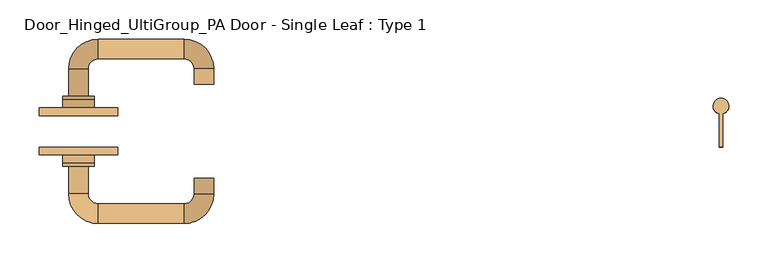
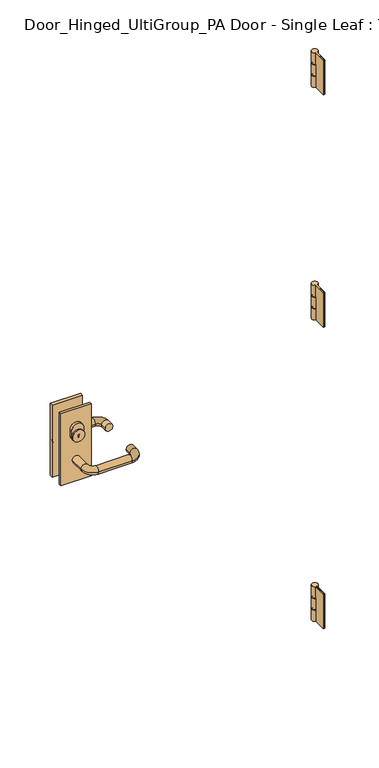
"""IFC4 building model written with IfcOpenShell, lengths in millimetres: door geometry, Door_Hinged_UltiGroup_PA Door - Single Leaf : Type 1."""

from ifc_helpers import new_model, si_unit, point, frame, frame_2d, origin, place, context, project, spatial, polyline, circle_curve, ellipse_curve, trimmed, segment, composite_curve, outline, extrude, source, transform, mapped, element, save
from ifc_brep_helpers import plane_surface, cylinder_surface, revolved_surface, advanced_brep


def door_hinged_ultigroup_pa_door_single_leaf_type_1_55440f28(model_context):
    return source(origin(), model_context, "Body", "SolidModel", [
        advanced_brep(
        [(452.5, 73.0, 1145.0), (450.0, 53.3175416, 1145.0), (452.0, 53.0125078, 1145.0), (452.5, 53.0, 1145.0), (453.0, 53.0125078, 1145.0), (455.0, 53.3175416, 1145.0), (452.5, 55.0, 1145.0), (452.5, 71.0, 1145.0), (453.0, 53.0125078, 1107.0), (452.5, 53.0, 1107.0), (452.0, 53.0125078, 1107.0), (450.0, 53.3175416, 1107.0), (452.5, 73.0, 1107.0), (455.0, 53.3175416, 1107.0), (452.5, 71.0, 1107.0), (452.5, 55.0, 1107.0), (452.5, 71.0, 1147.0), (452.5, 55.0, 1147.0), (452.5, 71.0, 1105.0), (452.5, 55.0, 1105.0), (452.5, 73.0, 1105.0), (450.0, 53.3175416, 1105.0), (452.0, 53.0125078, 1105.0), (452.5, 53.0, 1105.0), (453.0, 53.0125078, 1105.0), (455.0, 53.3175416, 1105.0), (452.0, 53.0125078, 1066.0), (452.0, 11.0, 1066.0), (450.0, 11.0, 1066.0), (450.0, 53.3175416, 1066.0), (452.5, 73.0, 1066.0), (455.0, 53.3175416, 1066.0), (455.0, 11.0, 1066.0), (453.0, 11.0, 1066.0), (453.0, 53.0125078, 1066.0), (452.5, 53.0, 1066.0), (450.0, 53.3175416, 1186.0), (450.0, 11.0, 1186.0), (452.0, 11.0, 1186.0), (452.0, 53.0125078, 1186.0), (452.5, 53.0, 1186.0), (453.0, 53.0125078, 1186.0), (453.0, 11.0, 1186.0), (455.0, 11.0, 1186.0), (455.0, 53.3175416, 1186.0), (452.5, 73.0, 1186.0), (450.0, 53.3175416, 1147.0), (452.0, 53.0125078, 1147.0), (453.0, 53.0125078, 1147.0), (455.0, 53.3175416, 1147.0), (452.5, 73.0, 1147.0), (452.5, 53.0, 1147.0)],
        [
            (0, 1, circle_curve(frame((452.5, 63.0, 1145.0), z_axis=(0.0, 0.0, 1.0), x_axis=(0.0, -1.0, 0.0)), 10.0)),
            (1, 2, circle_curve(frame((452.5, 63.0, 1145.0), z_axis=(0.0, 0.0, 1.0), x_axis=(0.0, -1.0, 0.0)), 10.0)),
            (2, 3, circle_curve(frame((452.5, 63.0, 1145.0), z_axis=(0.0, 0.0, 1.0), x_axis=(0.0, -1.0, 0.0)), 10.0)),
            (3, 4, circle_curve(frame((452.5, 63.0, 1145.0), z_axis=(0.0, 0.0, 1.0), x_axis=(0.0, -1.0, 0.0)), 10.0)),
            (4, 5, circle_curve(frame((452.5, 63.0, 1145.0), z_axis=(0.0, 0.0, 1.0), x_axis=(0.0, -1.0, 0.0)), 10.0)),
            (5, 0, circle_curve(frame((452.5, 63.0, 1145.0), z_axis=(0.0, 0.0, 1.0), x_axis=(0.0, -1.0, 0.0)), 10.0)),
            (6, 7, circle_curve(frame((452.5, 63.0, 1145.0), z_axis=(0.0, 0.0, -1.0), x_axis=(0.0, -1.0, 0.0)), 8.0)),
            (7, 6, circle_curve(frame((452.5, 63.0, 1145.0), z_axis=(0.0, 0.0, -1.0), x_axis=(0.0, -1.0, 0.0)), 8.0)),
            (8, 9, circle_curve(frame((452.5, 63.0, 1107.0), z_axis=(0.0, 0.0, -1.0), x_axis=(0.0, -1.0, 0.0)), 10.0)),
            (9, 10, circle_curve(frame((452.5, 63.0, 1107.0), z_axis=(0.0, 0.0, -1.0), x_axis=(0.0, -1.0, 0.0)), 10.0)),
            (10, 11, circle_curve(frame((452.5, 63.0, 1107.0), z_axis=(0.0, 0.0, -1.0), x_axis=(0.0, -1.0, 0.0)), 10.0)),
            (11, 12, circle_curve(frame((452.5, 63.0, 1107.0), z_axis=(0.0, 0.0, -1.0), x_axis=(0.0, -1.0, 0.0)), 10.0)),
            (12, 13, circle_curve(frame((452.5, 63.0, 1107.0), z_axis=(0.0, 0.0, -1.0), x_axis=(0.0, -1.0, 0.0)), 10.0)),
            (13, 8, circle_curve(frame((452.5, 63.0, 1107.0), z_axis=(0.0, 0.0, -1.0), x_axis=(0.0, -1.0, 0.0)), 10.0)),
            (14, 15, circle_curve(frame((452.5, 63.0, 1107.0), z_axis=(0.0, 0.0, 1.0), x_axis=(0.0, -1.0, 0.0)), 8.0)),
            (15, 14, circle_curve(frame((452.5, 63.0, 1107.0), z_axis=(0.0, 0.0, 1.0), x_axis=(0.0, -1.0, 0.0)), 8.0)),
            (0, 12),
            (11, 1),
            (9, 3),
            (2, 10),
            (5, 13),
            (8, 4),
            (16, 7),
            (6, 17),
            (17, 16, circle_curve(frame((452.5, 63.0, 1147.0), z_axis=(0.0, 0.0, -1.0), x_axis=(0.0, -1.0, 0.0)), 8.0)),
            (16, 17, circle_curve(frame((452.5, 63.0, 1147.0), z_axis=(0.0, 0.0, -1.0), x_axis=(0.0, -1.0, 0.0)), 8.0)),
            (14, 18),
            (18, 19, circle_curve(frame((452.5, 63.0, 1105.0), z_axis=(0.0, 0.0, 1.0), x_axis=(0.0, -1.0, 0.0)), 8.0)),
            (19, 15),
            (19, 18, circle_curve(frame((452.5, 63.0, 1105.0), z_axis=(0.0, 0.0, 1.0), x_axis=(0.0, -1.0, 0.0)), 8.0)),
            (20, 21, circle_curve(frame((452.5, 63.0, 1105.0), z_axis=(0.0, 0.0, 1.0), x_axis=(0.0, -1.0, 0.0)), 10.0)),
            (21, 22, circle_curve(frame((452.5, 63.0, 1105.0), z_axis=(0.0, 0.0, 1.0), x_axis=(0.0, -1.0, 0.0)), 10.0)),
            (22, 23, circle_curve(frame((452.5, 63.0, 1105.0), z_axis=(0.0, 0.0, 1.0), x_axis=(0.0, -1.0, 0.0)), 10.0)),
            (23, 24, circle_curve(frame((452.5, 63.0, 1105.0), z_axis=(0.0, 0.0, 1.0), x_axis=(0.0, -1.0, 0.0)), 10.0)),
            (24, 25, circle_curve(frame((452.5, 63.0, 1105.0), z_axis=(0.0, 0.0, 1.0), x_axis=(0.0, -1.0, 0.0)), 10.0)),
            (25, 20, circle_curve(frame((452.5, 63.0, 1105.0), z_axis=(0.0, 0.0, 1.0), x_axis=(0.0, -1.0, 0.0)), 10.0)),
            (26, 27),
            (27, 28),
            (28, 29),
            (29, 30, circle_curve(frame((452.5, 63.0, 1066.0), z_axis=(0.0, 0.0, -1.0), x_axis=(0.0, -1.0, 0.0)), 10.0)),
            (30, 31, circle_curve(frame((452.5, 63.0, 1066.0), z_axis=(0.0, 0.0, -1.0), x_axis=(0.0, -1.0, 0.0)), 10.0)),
            (31, 32),
            (32, 33),
            (33, 34),
            (34, 35, circle_curve(frame((452.5, 63.0, 1066.0), z_axis=(0.0, 0.0, -1.0), x_axis=(0.0, -1.0, 0.0)), 10.0)),
            (35, 26, circle_curve(frame((452.5, 63.0, 1066.0), z_axis=(0.0, 0.0, -1.0), x_axis=(0.0, -1.0, 0.0)), 10.0)),
            (20, 30),
            (29, 21),
            (35, 23),
            (22, 26),
            (25, 31),
            (34, 24),
            (36, 37),
            (37, 38),
            (38, 39),
            (39, 40, circle_curve(frame((452.5, 63.0, 1186.0), z_axis=(0.0, 0.0, 1.0), x_axis=(0.0, -1.0, 0.0)), 10.0)),
            (40, 41, circle_curve(frame((452.5, 63.0, 1186.0), z_axis=(0.0, 0.0, 1.0), x_axis=(0.0, -1.0, 0.0)), 10.0)),
            (41, 42),
            (42, 43),
            (43, 44),
            (44, 45, circle_curve(frame((452.5, 63.0, 1186.0), z_axis=(0.0, 0.0, 1.0), x_axis=(0.0, -1.0, 0.0)), 10.0)),
            (45, 36, circle_curve(frame((452.5, 63.0, 1186.0), z_axis=(0.0, 0.0, 1.0), x_axis=(0.0, -1.0, 0.0)), 10.0)),
            (36, 46),
            (46, 1),
            (11, 21),
            (28, 37),
            (38, 27),
            (22, 10),
            (2, 47),
            (47, 39),
            (46, 47, circle_curve(frame((452.5, 63.0, 1147.0), z_axis=(0.0, 0.0, 1.0), x_axis=(0.0, -1.0, 0.0)), 10.0)),
            (41, 48),
            (48, 4),
            (8, 24),
            (33, 42),
            (32, 43),
            (25, 13),
            (5, 49),
            (49, 44),
            (48, 49, circle_curve(frame((452.5, 63.0, 1147.0), z_axis=(0.0, 0.0, 1.0), x_axis=(0.0, -1.0, 0.0)), 10.0)),
            (46, 50, circle_curve(frame((452.5, 63.0, 1147.0), z_axis=(0.0, 0.0, -1.0), x_axis=(0.0, -1.0, 0.0)), 10.0)),
            (50, 49, circle_curve(frame((452.5, 63.0, 1147.0), z_axis=(0.0, 0.0, -1.0), x_axis=(0.0, -1.0, 0.0)), 10.0)),
            (48, 51, circle_curve(frame((452.5, 63.0, 1147.0), z_axis=(0.0, 0.0, -1.0), x_axis=(0.0, -1.0, 0.0)), 10.0)),
            (51, 47, circle_curve(frame((452.5, 63.0, 1147.0), z_axis=(0.0, 0.0, -1.0), x_axis=(0.0, -1.0, 0.0)), 10.0)),
            (45, 50),
            (51, 40),
        ],
        [
            plane_surface(frame((452.5, 53.0, 1145.0), z_axis=(0.0, 0.0, 1.0), x_axis=(1.0, 0.0, 0.0))),
            plane_surface(frame((452.5, 53.0, 1107.0), z_axis=(0.0, 0.0, -1.0), x_axis=(-1.0, 0.0, 0.0))),
            cylinder_surface(frame((452.5, 63.0, 1107.0), z_axis=(0.0, 0.0, 1.0), x_axis=(0.0, -1.0, 0.0)), 10.0),
            cylinder_surface(frame((452.5, 63.0, 1145.0), z_axis=(0.0, 0.0, 1.0), x_axis=(0.0, -1.0, 0.0)), 8.0),
            cylinder_surface(frame((452.5, 63.0, 1105.0), z_axis=(0.0, 0.0, 1.0), x_axis=(0.0, -1.0, 0.0)), 8.0),
            plane_surface(frame((452.5, 53.0, 1105.0), z_axis=(0.0, 0.0, 1.0), x_axis=(1.0, 0.0, 0.0))),
            plane_surface(frame((452.5, 53.0, 1066.0), z_axis=(0.0, 0.0, -1.0), x_axis=(-1.0, 0.0, 0.0))),
            cylinder_surface(frame((452.5, 63.0, 1066.0), z_axis=(0.0, 0.0, 1.0), x_axis=(0.0, -1.0, 0.0)), 10.0),
            plane_surface(frame((455.0, 53.3175416, 1186.0), z_axis=(0.0, 0.0, 1.0), x_axis=(0.0, 1.0, 0.0))),
            plane_surface(frame((450.0, 53.3175416, 1186.0), z_axis=(-1.0, 0.0, 0.0), x_axis=(0.0, 0.0, -1.0))),
            plane_surface(frame((452.0, 11.0, 1186.0), z_axis=(1.0, 0.0, 0.0), x_axis=(0.0, 0.0, -1.0))),
            revolved_surface(polyline([(452.5, 53.0, 1145.0), (452.5, 53.0, 1147.0)]), (452.5, 63.0, 1066.0), (0.0, 0.0, -1.0)),
            revolved_surface(polyline([(452.5, 53.0, 1105.0), (452.5, 53.0, 1107.0)]), (452.5, 63.0, 1066.0), (0.0, 0.0, -1.0)),
            plane_surface(frame((453.0, 53.0125078, 1186.0), z_axis=(-1.0, 0.0, 0.0), x_axis=(0.0, 0.0, -1.0))),
            plane_surface(frame((453.0, 11.0, 1186.0), z_axis=(0.0, -1.0, 0.0), x_axis=(0.0, 0.0, -1.0))),
            plane_surface(frame((455.0, 11.0, 1186.0), z_axis=(1.0, 0.0, 0.0), x_axis=(0.0, 0.0, -1.0))),
            plane_surface(frame((452.5, 53.0, 1147.0), z_axis=(0.0, 0.0, -1.0), x_axis=(-1.0, 0.0, 0.0))),
            cylinder_surface(frame((452.5, 63.0, 1147.0), z_axis=(0.0, 0.0, 1.0), x_axis=(0.0, -1.0, 0.0)), 10.0),
            plane_surface(frame((450.0, 11.0, 1186.0), z_axis=(0.0, -1.0, 0.0), x_axis=(0.0, 0.0, -1.0))),
        ],
        [
            (0, [[1, 2, 3, 4, 5, 6], [7, 8]]),
            (1, [[9, 10, 11, 12, 13, 14], [15, 16]]),
            (2, [[17, -12, 18, -1]]),
            (2, [[19, -3, 20, -10]]),
            (2, [[-17, -6, 21, -13]]),
            (2, [[-19, -9, 22, -4]]),
            (3, [[23, -7, 24, 25]]),
            (3, [[-23, 26, -24, -8]]),
            (4, [[27, 28, 29, -15]]),
            (4, [[-27, -16, -29, 30]]),
            (5, [[31, 32, 33, 34, 35, 36], [-28, -30]]),
            (6, [[37, 38, 39, 40, 41, 42, 43, 44, 45, 46]]),
            (7, [[47, -40, 48, -31]]),
            (7, [[49, -33, 50, -46]]),
            (7, [[-47, -36, 51, -41]]),
            (7, [[-49, -45, 52, -34]]),
            (8, [[53, 54, 55, 56, 57, 58, 59, 60, 61, 62]]),
            (9, [[-53, 63, 64, -18, 65, -48, -39, 66]]),
            (10, [[-55, 67, -37, -50, 68, -20, 69, 70]]),
            (11, [[-2, -64, 71, -69]]),
            (12, [[-65, -11, -68, -32]]),
            (13, [[-58, 72, 73, -22, 74, -52, -44, 75]]),
            (14, [[-59, -75, -43, 76]]),
            (15, [[-60, -76, -42, -51, 77, -21, 78, 79]]),
            (11, [[-5, -73, 80, -78]]),
            (12, [[-74, -14, -77, -35]]),
            (16, [[81, 82, -80, 83, 84, -71], [-25, -26]]),
            (17, [[85, -81, -63, -62]]),
            (17, [[86, -56, -70, -84]]),
            (17, [[-85, -61, -79, -82]]),
            (17, [[-86, -83, -72, -57]]),
            (18, [[-54, -66, -38, -67]]),
        ],
    ),
        advanced_brep(
        [(452.5, 73.0, 99.0), (450.0, 53.3175416, 99.0), (452.0, 53.0125078, 99.0), (452.5, 53.0, 99.0), (453.0, 53.0125078, 99.0), (455.0, 53.3175416, 99.0), (452.5, 55.0, 99.0), (452.5, 71.0, 99.0), (453.0, 53.0125078, 61.0), (452.5, 53.0, 61.0), (452.0, 53.0125078, 61.0), (450.0, 53.3175416, 61.0), (452.5, 73.0, 61.0), (455.0, 53.3175416, 61.0), (452.5, 71.0, 61.0), (452.5, 55.0, 61.0), (452.5, 71.0, 101.0), (452.5, 55.0, 101.0), (452.5, 71.0, 59.0), (452.5, 55.0, 59.0), (452.5, 73.0, 59.0), (450.0, 53.3175416, 59.0), (452.0, 53.0125078, 59.0), (452.5, 53.0, 59.0), (453.0, 53.0125078, 59.0), (455.0, 53.3175416, 59.0), (452.0, 53.0125078, 20.0), (452.0, 11.0, 20.0), (450.0, 11.0, 20.0), (450.0, 53.3175416, 20.0), (452.5, 73.0, 20.0), (455.0, 53.3175416, 20.0), (455.0, 11.0, 20.0), (453.0, 11.0, 20.0), (453.0, 53.0125078, 20.0), (452.5, 53.0, 20.0), (450.0, 53.3175416, 140.0), (450.0, 11.0, 140.0), (452.0, 11.0, 140.0), (452.0, 53.0125078, 140.0), (452.5, 53.0, 140.0), (453.0, 53.0125078, 140.0), (453.0, 11.0, 140.0), (455.0, 11.0, 140.0), (455.0, 53.3175416, 140.0), (452.5, 73.0, 140.0), (450.0, 53.3175416, 101.0), (452.0, 53.0125078, 101.0), (453.0, 53.0125078, 101.0), (455.0, 53.3175416, 101.0), (452.5, 73.0, 101.0), (452.5, 53.0, 101.0)],
        [
            (0, 1, circle_curve(frame((452.5, 63.0, 99.0), z_axis=(0.0, 0.0, 1.0), x_axis=(0.0, -1.0, 0.0)), 10.0)),
            (1, 2, circle_curve(frame((452.5, 63.0, 99.0), z_axis=(0.0, 0.0, 1.0), x_axis=(0.0, -1.0, 0.0)), 10.0)),
            (2, 3, circle_curve(frame((452.5, 63.0, 99.0), z_axis=(0.0, 0.0, 1.0), x_axis=(0.0, -1.0, 0.0)), 10.0)),
            (3, 4, circle_curve(frame((452.5, 63.0, 99.0), z_axis=(0.0, 0.0, 1.0), x_axis=(0.0, -1.0, 0.0)), 10.0)),
            (4, 5, circle_curve(frame((452.5, 63.0, 99.0), z_axis=(0.0, 0.0, 1.0), x_axis=(0.0, -1.0, 0.0)), 10.0)),
            (5, 0, circle_curve(frame((452.5, 63.0, 99.0), z_axis=(0.0, 0.0, 1.0), x_axis=(0.0, -1.0, 0.0)), 10.0)),
            (6, 7, circle_curve(frame((452.5, 63.0, 99.0), z_axis=(0.0, 0.0, -1.0), x_axis=(0.0, -1.0, 0.0)), 8.0)),
            (7, 6, circle_curve(frame((452.5, 63.0, 99.0), z_axis=(0.0, 0.0, -1.0), x_axis=(0.0, -1.0, 0.0)), 8.0)),
            (8, 9, circle_curve(frame((452.5, 63.0, 61.0), z_axis=(0.0, 0.0, -1.0), x_axis=(0.0, -1.0, 0.0)), 10.0)),
            (9, 10, circle_curve(frame((452.5, 63.0, 61.0), z_axis=(0.0, 0.0, -1.0), x_axis=(0.0, -1.0, 0.0)), 10.0)),
            (10, 11, circle_curve(frame((452.5, 63.0, 61.0), z_axis=(0.0, 0.0, -1.0), x_axis=(0.0, -1.0, 0.0)), 10.0)),
            (11, 12, circle_curve(frame((452.5, 63.0, 61.0), z_axis=(0.0, 0.0, -1.0), x_axis=(0.0, -1.0, 0.0)), 10.0)),
            (12, 13, circle_curve(frame((452.5, 63.0, 61.0), z_axis=(0.0, 0.0, -1.0), x_axis=(0.0, -1.0, 0.0)), 10.0)),
            (13, 8, circle_curve(frame((452.5, 63.0, 61.0), z_axis=(0.0, 0.0, -1.0), x_axis=(0.0, -1.0, 0.0)), 10.0)),
            (14, 15, circle_curve(frame((452.5, 63.0, 61.0), z_axis=(0.0, 0.0, 1.0), x_axis=(0.0, -1.0, 0.0)), 8.0)),
            (15, 14, circle_curve(frame((452.5, 63.0, 61.0), z_axis=(0.0, 0.0, 1.0), x_axis=(0.0, -1.0, 0.0)), 8.0)),
            (0, 12),
            (11, 1),
            (9, 3),
            (2, 10),
            (5, 13),
            (8, 4),
            (16, 7),
            (6, 17),
            (17, 16, circle_curve(frame((452.5, 63.0, 101.0), z_axis=(0.0, 0.0, -1.0), x_axis=(0.0, -1.0, 0.0)), 8.0)),
            (16, 17, circle_curve(frame((452.5, 63.0, 101.0), z_axis=(0.0, 0.0, -1.0), x_axis=(0.0, -1.0, 0.0)), 8.0)),
            (14, 18),
            (18, 19, circle_curve(frame((452.5, 63.0, 59.0), z_axis=(0.0, 0.0, 1.0), x_axis=(0.0, -1.0, 0.0)), 8.0)),
            (19, 15),
            (19, 18, circle_curve(frame((452.5, 63.0, 59.0), z_axis=(0.0, 0.0, 1.0), x_axis=(0.0, -1.0, 0.0)), 8.0)),
            (20, 21, circle_curve(frame((452.5, 63.0, 59.0), z_axis=(0.0, 0.0, 1.0), x_axis=(0.0, -1.0, 0.0)), 10.0)),
            (21, 22, circle_curve(frame((452.5, 63.0, 59.0), z_axis=(0.0, 0.0, 1.0), x_axis=(0.0, -1.0, 0.0)), 10.0)),
            (22, 23, circle_curve(frame((452.5, 63.0, 59.0), z_axis=(0.0, 0.0, 1.0), x_axis=(0.0, -1.0, 0.0)), 10.0)),
            (23, 24, circle_curve(frame((452.5, 63.0, 59.0), z_axis=(0.0, 0.0, 1.0), x_axis=(0.0, -1.0, 0.0)), 10.0)),
            (24, 25, circle_curve(frame((452.5, 63.0, 59.0), z_axis=(0.0, 0.0, 1.0), x_axis=(0.0, -1.0, 0.0)), 10.0)),
            (25, 20, circle_curve(frame((452.5, 63.0, 59.0), z_axis=(0.0, 0.0, 1.0), x_axis=(0.0, -1.0, 0.0)), 10.0)),
            (26, 27),
            (27, 28),
            (28, 29),
            (29, 30, circle_curve(frame((452.5, 63.0, 20.0), z_axis=(0.0, 0.0, -1.0), x_axis=(0.0, -1.0, 0.0)), 10.0)),
            (30, 31, circle_curve(frame((452.5, 63.0, 20.0), z_axis=(0.0, 0.0, -1.0), x_axis=(0.0, -1.0, 0.0)), 10.0)),
            (31, 32),
            (32, 33),
            (33, 34),
            (34, 35, circle_curve(frame((452.5, 63.0, 20.0), z_axis=(0.0, 0.0, -1.0), x_axis=(0.0, -1.0, 0.0)), 10.0)),
            (35, 26, circle_curve(frame((452.5, 63.0, 20.0), z_axis=(0.0, 0.0, -1.0), x_axis=(0.0, -1.0, 0.0)), 10.0)),
            (20, 30),
            (29, 21),
            (35, 23),
            (22, 26),
            (25, 31),
            (34, 24),
            (36, 37),
            (37, 38),
            (38, 39),
            (39, 40, circle_curve(frame((452.5, 63.0, 140.0), z_axis=(0.0, 0.0, 1.0), x_axis=(0.0, -1.0, 0.0)), 10.0)),
            (40, 41, circle_curve(frame((452.5, 63.0, 140.0), z_axis=(0.0, 0.0, 1.0), x_axis=(0.0, -1.0, 0.0)), 10.0)),
            (41, 42),
            (42, 43),
            (43, 44),
            (44, 45, circle_curve(frame((452.5, 63.0, 140.0), z_axis=(0.0, 0.0, 1.0), x_axis=(0.0, -1.0, 0.0)), 10.0)),
            (45, 36, circle_curve(frame((452.5, 63.0, 140.0), z_axis=(0.0, 0.0, 1.0), x_axis=(0.0, -1.0, 0.0)), 10.0)),
            (36, 46),
            (46, 1),
            (11, 21),
            (28, 37),
            (38, 27),
            (22, 10),
            (2, 47),
            (47, 39),
            (46, 47, circle_curve(frame((452.5, 63.0, 101.0), z_axis=(0.0, 0.0, 1.0), x_axis=(0.0, -1.0, 0.0)), 10.0)),
            (41, 48),
            (48, 4),
            (8, 24),
            (33, 42),
            (32, 43),
            (25, 13),
            (5, 49),
            (49, 44),
            (48, 49, circle_curve(frame((452.5, 63.0, 101.0), z_axis=(0.0, 0.0, 1.0), x_axis=(0.0, -1.0, 0.0)), 10.0)),
            (46, 50, circle_curve(frame((452.5, 63.0, 101.0), z_axis=(0.0, 0.0, -1.0), x_axis=(0.0, -1.0, 0.0)), 10.0)),
            (50, 49, circle_curve(frame((452.5, 63.0, 101.0), z_axis=(0.0, 0.0, -1.0), x_axis=(0.0, -1.0, 0.0)), 10.0)),
            (48, 51, circle_curve(frame((452.5, 63.0, 101.0), z_axis=(0.0, 0.0, -1.0), x_axis=(0.0, -1.0, 0.0)), 10.0)),
            (51, 47, circle_curve(frame((452.5, 63.0, 101.0), z_axis=(0.0, 0.0, -1.0), x_axis=(0.0, -1.0, 0.0)), 10.0)),
            (45, 50),
            (51, 40),
        ],
        [
            plane_surface(frame((452.5, 53.0, 99.0), z_axis=(0.0, 0.0, 1.0), x_axis=(1.0, 0.0, 0.0))),
            plane_surface(frame((452.5, 53.0, 61.0), z_axis=(0.0, 0.0, -1.0), x_axis=(-1.0, 0.0, 0.0))),
            cylinder_surface(frame((452.5, 63.0, 61.0), z_axis=(0.0, 0.0, 1.0), x_axis=(0.0, -1.0, 0.0)), 10.0),
            cylinder_surface(frame((452.5, 63.0, 99.0), z_axis=(0.0, 0.0, 1.0), x_axis=(0.0, -1.0, 0.0)), 8.0),
            cylinder_surface(frame((452.5, 63.0, 59.0), z_axis=(0.0, 0.0, 1.0), x_axis=(0.0, -1.0, 0.0)), 8.0),
            plane_surface(frame((452.5, 53.0, 59.0), z_axis=(0.0, 0.0, 1.0), x_axis=(1.0, 0.0, 0.0))),
            plane_surface(frame((452.5, 53.0, 20.0), z_axis=(0.0, 0.0, -1.0), x_axis=(-1.0, 0.0, 0.0))),
            cylinder_surface(frame((452.5, 63.0, 20.0), z_axis=(0.0, 0.0, 1.0), x_axis=(0.0, -1.0, 0.0)), 10.0),
            plane_surface(frame((455.0, 53.3175416, 140.0), z_axis=(0.0, 0.0, 1.0), x_axis=(0.0, 1.0, 0.0))),
            plane_surface(frame((450.0, 53.3175416, 140.0), z_axis=(-1.0, 0.0, 0.0), x_axis=(0.0, 0.0, -1.0))),
            plane_surface(frame((452.0, 11.0, 140.0), z_axis=(1.0, 0.0, 0.0), x_axis=(0.0, 0.0, -1.0))),
            revolved_surface(polyline([(452.5, 53.0, 99.0), (452.5, 53.0, 101.0)]), (452.5, 63.0, 20.0), (0.0, 0.0, -1.0)),
            revolved_surface(polyline([(452.5, 53.0, 59.0), (452.5, 53.0, 61.0)]), (452.5, 63.0, 20.0), (0.0, 0.0, -1.0)),
            plane_surface(frame((453.0, 53.0125078, 140.0), z_axis=(-1.0, 0.0, 0.0), x_axis=(0.0, 0.0, -1.0))),
            plane_surface(frame((453.0, 11.0, 140.0), z_axis=(0.0, -1.0, 0.0), x_axis=(0.0, 0.0, -1.0))),
            plane_surface(frame((455.0, 11.0, 140.0), z_axis=(1.0, 0.0, 0.0), x_axis=(0.0, 0.0, -1.0))),
            plane_surface(frame((452.5, 53.0, 101.0), z_axis=(0.0, 0.0, -1.0), x_axis=(-1.0, 0.0, 0.0))),
            cylinder_surface(frame((452.5, 63.0, 101.0), z_axis=(0.0, 0.0, 1.0), x_axis=(0.0, -1.0, 0.0)), 10.0),
            plane_surface(frame((450.0, 11.0, 140.0), z_axis=(0.0, -1.0, 0.0), x_axis=(0.0, 0.0, -1.0))),
        ],
        [
            (0, [[1, 2, 3, 4, 5, 6], [7, 8]]),
            (1, [[9, 10, 11, 12, 13, 14], [15, 16]]),
            (2, [[17, -12, 18, -1]]),
            (2, [[19, -3, 20, -10]]),
            (2, [[-17, -6, 21, -13]]),
            (2, [[-19, -9, 22, -4]]),
            (3, [[23, -7, 24, 25]]),
            (3, [[-23, 26, -24, -8]]),
            (4, [[27, 28, 29, -15]]),
            (4, [[-27, -16, -29, 30]]),
            (5, [[31, 32, 33, 34, 35, 36], [-28, -30]]),
            (6, [[37, 38, 39, 40, 41, 42, 43, 44, 45, 46]]),
            (7, [[47, -40, 48, -31]]),
            (7, [[49, -33, 50, -46]]),
            (7, [[-47, -36, 51, -41]]),
            (7, [[-49, -45, 52, -34]]),
            (8, [[53, 54, 55, 56, 57, 58, 59, 60, 61, 62]]),
            (9, [[-53, 63, 64, -18, 65, -48, -39, 66]]),
            (10, [[-55, 67, -37, -50, 68, -20, 69, 70]]),
            (11, [[-2, -64, 71, -69]]),
            (12, [[-65, -11, -68, -32]]),
            (13, [[-58, 72, 73, -22, 74, -52, -44, 75]]),
            (14, [[-59, -75, -43, 76]]),
            (15, [[-60, -76, -42, -51, 77, -21, 78, 79]]),
            (11, [[-5, -73, 80, -78]]),
            (12, [[-74, -14, -77, -35]]),
            (16, [[81, 82, -80, 83, 84, -71], [-25, -26]]),
            (17, [[85, -81, -63, -62]]),
            (17, [[86, -56, -70, -84]]),
            (17, [[-85, -61, -79, -82]]),
            (17, [[-86, -83, -72, -57]]),
            (18, [[-54, -66, -38, -67]]),
        ],
    ),
        advanced_brep(
        [(452.5, 73.0, 1952.0), (450.0, 53.3175416, 1952.0), (452.0, 53.0125078, 1952.0), (452.5, 53.0, 1952.0), (453.0, 53.0125078, 1952.0), (455.0, 53.3175416, 1952.0), (452.5, 55.0, 1952.0), (452.5, 71.0, 1952.0), (453.0, 53.0125078, 1914.0), (452.5, 53.0, 1914.0), (452.0, 53.0125078, 1914.0), (450.0, 53.3175416, 1914.0), (452.5, 73.0, 1914.0), (455.0, 53.3175416, 1914.0), (452.5, 71.0, 1914.0), (452.5, 55.0, 1914.0), (452.5, 71.0, 1954.0), (452.5, 55.0, 1954.0), (452.5, 71.0, 1912.0), (452.5, 55.0, 1912.0), (452.5, 73.0, 1912.0), (450.0, 53.3175416, 1912.0), (452.0, 53.0125078, 1912.0), (452.5, 53.0, 1912.0), (453.0, 53.0125078, 1912.0), (455.0, 53.3175416, 1912.0), (452.0, 53.0125078, 1873.0), (452.0, 11.0, 1873.0), (450.0, 11.0, 1873.0), (450.0, 53.3175416, 1873.0), (452.5, 73.0, 1873.0), (455.0, 53.3175416, 1873.0), (455.0, 11.0, 1873.0), (453.0, 11.0, 1873.0), (453.0, 53.0125078, 1873.0), (452.5, 53.0, 1873.0), (450.0, 53.3175416, 1993.0), (450.0, 11.0, 1993.0), (452.0, 11.0, 1993.0), (452.0, 53.0125078, 1993.0), (452.5, 53.0, 1993.0), (453.0, 53.0125078, 1993.0), (453.0, 11.0, 1993.0), (455.0, 11.0, 1993.0), (455.0, 53.3175416, 1993.0), (452.5, 73.0, 1993.0), (450.0, 53.3175416, 1954.0), (452.0, 53.0125078, 1954.0), (453.0, 53.0125078, 1954.0), (455.0, 53.3175416, 1954.0), (452.5, 73.0, 1954.0), (452.5, 53.0, 1954.0)],
        [
            (0, 1, circle_curve(frame((452.5, 63.0, 1952.0), z_axis=(0.0, 0.0, 1.0), x_axis=(0.0, -1.0, 0.0)), 10.0)),
            (1, 2, circle_curve(frame((452.5, 63.0, 1952.0), z_axis=(0.0, 0.0, 1.0), x_axis=(0.0, -1.0, 0.0)), 10.0)),
            (2, 3, circle_curve(frame((452.5, 63.0, 1952.0), z_axis=(0.0, 0.0, 1.0), x_axis=(0.0, -1.0, 0.0)), 10.0)),
            (3, 4, circle_curve(frame((452.5, 63.0, 1952.0), z_axis=(0.0, 0.0, 1.0), x_axis=(0.0, -1.0, 0.0)), 10.0)),
            (4, 5, circle_curve(frame((452.5, 63.0, 1952.0), z_axis=(0.0, 0.0, 1.0), x_axis=(0.0, -1.0, 0.0)), 10.0)),
            (5, 0, circle_curve(frame((452.5, 63.0, 1952.0), z_axis=(0.0, 0.0, 1.0), x_axis=(0.0, -1.0, 0.0)), 10.0)),
            (6, 7, circle_curve(frame((452.5, 63.0, 1952.0), z_axis=(0.0, 0.0, -1.0), x_axis=(0.0, -1.0, 0.0)), 8.0)),
            (7, 6, circle_curve(frame((452.5, 63.0, 1952.0), z_axis=(0.0, 0.0, -1.0), x_axis=(0.0, -1.0, 0.0)), 8.0)),
            (8, 9, circle_curve(frame((452.5, 63.0, 1914.0), z_axis=(0.0, 0.0, -1.0), x_axis=(0.0, -1.0, 0.0)), 10.0)),
            (9, 10, circle_curve(frame((452.5, 63.0, 1914.0), z_axis=(0.0, 0.0, -1.0), x_axis=(0.0, -1.0, 0.0)), 10.0)),
            (10, 11, circle_curve(frame((452.5, 63.0, 1914.0), z_axis=(0.0, 0.0, -1.0), x_axis=(0.0, -1.0, 0.0)), 10.0)),
            (11, 12, circle_curve(frame((452.5, 63.0, 1914.0), z_axis=(0.0, 0.0, -1.0), x_axis=(0.0, -1.0, 0.0)), 10.0)),
            (12, 13, circle_curve(frame((452.5, 63.0, 1914.0), z_axis=(0.0, 0.0, -1.0), x_axis=(0.0, -1.0, 0.0)), 10.0)),
            (13, 8, circle_curve(frame((452.5, 63.0, 1914.0), z_axis=(0.0, 0.0, -1.0), x_axis=(0.0, -1.0, 0.0)), 10.0)),
            (14, 15, circle_curve(frame((452.5, 63.0, 1914.0), z_axis=(0.0, 0.0, 1.0), x_axis=(0.0, -1.0, 0.0)), 8.0)),
            (15, 14, circle_curve(frame((452.5, 63.0, 1914.0), z_axis=(0.0, 0.0, 1.0), x_axis=(0.0, -1.0, 0.0)), 8.0)),
            (0, 12),
            (11, 1),
            (9, 3),
            (2, 10),
            (5, 13),
            (8, 4),
            (16, 7),
            (6, 17),
            (17, 16, circle_curve(frame((452.5, 63.0, 1954.0), z_axis=(0.0, 0.0, -1.0), x_axis=(0.0, -1.0, 0.0)), 8.0)),
            (16, 17, circle_curve(frame((452.5, 63.0, 1954.0), z_axis=(0.0, 0.0, -1.0), x_axis=(0.0, -1.0, 0.0)), 8.0)),
            (14, 18),
            (18, 19, circle_curve(frame((452.5, 63.0, 1912.0), z_axis=(0.0, 0.0, 1.0), x_axis=(0.0, -1.0, 0.0)), 8.0)),
            (19, 15),
            (19, 18, circle_curve(frame((452.5, 63.0, 1912.0), z_axis=(0.0, 0.0, 1.0), x_axis=(0.0, -1.0, 0.0)), 8.0)),
            (20, 21, circle_curve(frame((452.5, 63.0, 1912.0), z_axis=(0.0, 0.0, 1.0), x_axis=(0.0, -1.0, 0.0)), 10.0)),
            (21, 22, circle_curve(frame((452.5, 63.0, 1912.0), z_axis=(0.0, 0.0, 1.0), x_axis=(0.0, -1.0, 0.0)), 10.0)),
            (22, 23, circle_curve(frame((452.5, 63.0, 1912.0), z_axis=(0.0, 0.0, 1.0), x_axis=(0.0, -1.0, 0.0)), 10.0)),
            (23, 24, circle_curve(frame((452.5, 63.0, 1912.0), z_axis=(0.0, 0.0, 1.0), x_axis=(0.0, -1.0, 0.0)), 10.0)),
            (24, 25, circle_curve(frame((452.5, 63.0, 1912.0), z_axis=(0.0, 0.0, 1.0), x_axis=(0.0, -1.0, 0.0)), 10.0)),
            (25, 20, circle_curve(frame((452.5, 63.0, 1912.0), z_axis=(0.0, 0.0, 1.0), x_axis=(0.0, -1.0, 0.0)), 10.0)),
            (26, 27),
            (27, 28),
            (28, 29),
            (29, 30, circle_curve(frame((452.5, 63.0, 1873.0), z_axis=(0.0, 0.0, -1.0), x_axis=(0.0, -1.0, 0.0)), 10.0)),
            (30, 31, circle_curve(frame((452.5, 63.0, 1873.0), z_axis=(0.0, 0.0, -1.0), x_axis=(0.0, -1.0, 0.0)), 10.0)),
            (31, 32),
            (32, 33),
            (33, 34),
            (34, 35, circle_curve(frame((452.5, 63.0, 1873.0), z_axis=(0.0, 0.0, -1.0), x_axis=(0.0, -1.0, 0.0)), 10.0)),
            (35, 26, circle_curve(frame((452.5, 63.0, 1873.0), z_axis=(0.0, 0.0, -1.0), x_axis=(0.0, -1.0, 0.0)), 10.0)),
            (20, 30),
            (29, 21),
            (35, 23),
            (22, 26),
            (25, 31),
            (34, 24),
            (36, 37),
            (37, 38),
            (38, 39),
            (39, 40, circle_curve(frame((452.5, 63.0, 1993.0), z_axis=(0.0, 0.0, 1.0), x_axis=(0.0, -1.0, 0.0)), 10.0)),
            (40, 41, circle_curve(frame((452.5, 63.0, 1993.0), z_axis=(0.0, 0.0, 1.0), x_axis=(0.0, -1.0, 0.0)), 10.0)),
            (41, 42),
            (42, 43),
            (43, 44),
            (44, 45, circle_curve(frame((452.5, 63.0, 1993.0), z_axis=(0.0, 0.0, 1.0), x_axis=(0.0, -1.0, 0.0)), 10.0)),
            (45, 36, circle_curve(frame((452.5, 63.0, 1993.0), z_axis=(0.0, 0.0, 1.0), x_axis=(0.0, -1.0, 0.0)), 10.0)),
            (36, 46),
            (46, 1),
            (11, 21),
            (28, 37),
            (38, 27),
            (22, 10),
            (2, 47),
            (47, 39),
            (46, 47, circle_curve(frame((452.5, 63.0, 1954.0), z_axis=(0.0, 0.0, 1.0), x_axis=(0.0, -1.0, 0.0)), 10.0)),
            (41, 48),
            (48, 4),
            (8, 24),
            (33, 42),
            (32, 43),
            (25, 13),
            (5, 49),
            (49, 44),
            (48, 49, circle_curve(frame((452.5, 63.0, 1954.0), z_axis=(0.0, 0.0, 1.0), x_axis=(0.0, -1.0, 0.0)), 10.0)),
            (46, 50, circle_curve(frame((452.5, 63.0, 1954.0), z_axis=(0.0, 0.0, -1.0), x_axis=(0.0, -1.0, 0.0)), 10.0)),
            (50, 49, circle_curve(frame((452.5, 63.0, 1954.0), z_axis=(0.0, 0.0, -1.0), x_axis=(0.0, -1.0, 0.0)), 10.0)),
            (48, 51, circle_curve(frame((452.5, 63.0, 1954.0), z_axis=(0.0, 0.0, -1.0), x_axis=(0.0, -1.0, 0.0)), 10.0)),
            (51, 47, circle_curve(frame((452.5, 63.0, 1954.0), z_axis=(0.0, 0.0, -1.0), x_axis=(0.0, -1.0, 0.0)), 10.0)),
            (45, 50),
            (51, 40),
        ],
        [
            plane_surface(frame((452.5, 53.0, 1952.0), z_axis=(0.0, 0.0, 1.0), x_axis=(1.0, 0.0, 0.0))),
            plane_surface(frame((452.5, 53.0, 1914.0), z_axis=(0.0, 0.0, -1.0), x_axis=(-1.0, 0.0, 0.0))),
            cylinder_surface(frame((452.5, 63.0, 1914.0), z_axis=(0.0, 0.0, 1.0), x_axis=(0.0, -1.0, 0.0)), 10.0),
            cylinder_surface(frame((452.5, 63.0, 1952.0), z_axis=(0.0, 0.0, 1.0), x_axis=(0.0, -1.0, 0.0)), 8.0),
            cylinder_surface(frame((452.5, 63.0, 1912.0), z_axis=(0.0, 0.0, 1.0), x_axis=(0.0, -1.0, 0.0)), 8.0),
            plane_surface(frame((452.5, 53.0, 1912.0), z_axis=(0.0, 0.0, 1.0), x_axis=(1.0, 0.0, 0.0))),
            plane_surface(frame((452.5, 53.0, 1873.0), z_axis=(0.0, 0.0, -1.0), x_axis=(-1.0, 0.0, 0.0))),
            cylinder_surface(frame((452.5, 63.0, 1873.0), z_axis=(0.0, 0.0, 1.0), x_axis=(0.0, -1.0, 0.0)), 10.0),
            plane_surface(frame((455.0, 53.3175416, 1993.0), z_axis=(0.0, 0.0, 1.0), x_axis=(0.0, 1.0, 0.0))),
            plane_surface(frame((450.0, 53.3175416, 1993.0), z_axis=(-1.0, 0.0, 0.0), x_axis=(0.0, 0.0, -1.0))),
            plane_surface(frame((452.0, 11.0, 1993.0), z_axis=(1.0, 0.0, 0.0), x_axis=(0.0, 0.0, -1.0))),
            revolved_surface(polyline([(452.5, 53.0, 1952.0), (452.5, 53.0, 1954.0)]), (452.5, 63.0, 1873.0), (0.0, 0.0, -1.0)),
            revolved_surface(polyline([(452.5, 53.0, 1912.0), (452.5, 53.0, 1914.0)]), (452.5, 63.0, 1873.0), (0.0, 0.0, -1.0)),
            plane_surface(frame((453.0, 53.0125078, 1993.0), z_axis=(-1.0, 0.0, 0.0), x_axis=(0.0, 0.0, -1.0))),
            plane_surface(frame((453.0, 11.0, 1993.0), z_axis=(0.0, -1.0, 0.0), x_axis=(0.0, 0.0, -1.0))),
            plane_surface(frame((455.0, 11.0, 1993.0), z_axis=(1.0, 0.0, 0.0), x_axis=(0.0, 0.0, -1.0))),
            plane_surface(frame((452.5, 53.0, 1954.0), z_axis=(0.0, 0.0, -1.0), x_axis=(-1.0, 0.0, 0.0))),
            cylinder_surface(frame((452.5, 63.0, 1954.0), z_axis=(0.0, 0.0, 1.0), x_axis=(0.0, -1.0, 0.0)), 10.0),
            plane_surface(frame((450.0, 11.0, 1993.0), z_axis=(0.0, -1.0, 0.0), x_axis=(0.0, 0.0, -1.0))),
        ],
        [
            (0, [[1, 2, 3, 4, 5, 6], [7, 8]]),
            (1, [[9, 10, 11, 12, 13, 14], [15, 16]]),
            (2, [[17, -12, 18, -1]]),
            (2, [[19, -3, 20, -10]]),
            (2, [[-17, -6, 21, -13]]),
            (2, [[-19, -9, 22, -4]]),
            (3, [[23, -7, 24, 25]]),
            (3, [[-23, 26, -24, -8]]),
            (4, [[27, 28, 29, -15]]),
            (4, [[-27, -16, -29, 30]]),
            (5, [[31, 32, 33, 34, 35, 36], [-28, -30]]),
            (6, [[37, 38, 39, 40, 41, 42, 43, 44, 45, 46]]),
            (7, [[47, -40, 48, -31]]),
            (7, [[49, -33, 50, -46]]),
            (7, [[-47, -36, 51, -41]]),
            (7, [[-49, -45, 52, -34]]),
            (8, [[53, 54, 55, 56, 57, 58, 59, 60, 61, 62]]),
            (9, [[-53, 63, 64, -18, 65, -48, -39, 66]]),
            (10, [[-55, 67, -37, -50, 68, -20, 69, 70]]),
            (11, [[-2, -64, 71, -69]]),
            (12, [[-65, -11, -68, -32]]),
            (13, [[-58, 72, 73, -22, 74, -52, -44, 75]]),
            (14, [[-59, -75, -43, 76]]),
            (15, [[-60, -76, -42, -51, 77, -21, 78, 79]]),
            (11, [[-5, -73, 80, -78]]),
            (12, [[-74, -14, -77, -35]]),
            (16, [[81, 82, -80, 83, 84, -71], [-25, -26]]),
            (17, [[85, -81, -63, -62]]),
            (17, [[86, -56, -70, -84]]),
            (17, [[-85, -61, -79, -82]]),
            (17, [[-86, -83, -72, -57]]),
            (18, [[-54, -66, -38, -67]]),
        ],
    ),
        extrude(outline(composite_curve([segment(trimmed(circle_curve(frame_2d((990.0, -367.0)), 20.0), [point((990.0, -387.0))], [point((990.0, -347.0))], False, "CARTESIAN"), True, "CONTINUOUS"), segment(trimmed(circle_curve(frame_2d((990.0, -367.0)), 20.0), [point((990.0, -347.0))], [point((990.0, -387.0))], False, "CARTESIAN"), True, "CONTINUOUS")], self_intersect=False), holes=[polyline([(995.0, -365.5), (985.0, -366.0), (985.0, -368.0), (995.0, -368.5), (995.0, -365.5)])]), frame((0.0, -13.8296291, 0.0), z_axis=(0.0, 1.0, 0.0), x_axis=(0.0, 0.0, 1.0)), (0.0, 0.0, 1.0), 4.8296291),
        extrude(outline(composite_curve([segment(polyline([(990.0, -347.0), (1010.0, -347.0)]), True, "CONTINUOUS"), segment(trimmed(circle_curve(frame_2d((1010.0, -367.0)), 20.0), [point((1010.0, -347.0))], [point((1010.0, -387.0))], False, "CARTESIAN"), True, "CONTINUOUS"), segment(polyline([(1010.0, -387.0), (990.0, -387.0)]), True, "CONTINUOUS"), segment(trimmed(circle_curve(frame_2d((990.0, -367.0)), 20.0), [point((990.0, -387.0))], [point((990.0, -347.0))], False, "CARTESIAN"), True, "CONTINUOUS")], self_intersect=False), holes=[polyline([(985.0, -366.0), (985.0, -368.0), (995.0, -368.5), (995.0, -365.5), (985.0, -366.0)])]), frame((0.0, -9.0, 0.0), z_axis=(0.0, 1.0, 0.0), x_axis=(0.0, 0.0, 1.0)), (0.0, 0.0, 1.0), 10.0),
        advanced_brep(
        [(-194.5, -28.8296291, 900.0), (-219.5, -28.8296291, 900.0), (-194.5, -48.8296291, 900.0), (-219.5, -48.8296291, 900.0), (-232.0, -61.3296291, 900.0), (-232.0, -86.3296291, 900.0), (-342.0, -86.3296291, 900.0), (-342.0, -61.3296291, 900.0), (-354.5, -48.8296291, 900.0), (-379.5, -48.8296291, 900.0), (-379.5, 1.0, 900.0), (-354.5, 1.0, 900.0)],
        [
            (0, 1, circle_curve(frame((-207.0, -28.8296291, 900.0), z_axis=(0.0, 1.0, 0.0), x_axis=(-1.0, 0.0, 0.0)), 12.5)),
            (1, 0, circle_curve(frame((-207.0, -28.8296291, 900.0), z_axis=(0.0, 1.0, 0.0), x_axis=(-1.0, 0.0, 0.0)), 12.5)),
            (0, 2),
            (2, 3, circle_curve(frame((-207.0, -48.8296291, 900.0), z_axis=(0.0, 1.0, 0.0), x_axis=(-1.0, 0.0, 0.0)), 12.5)),
            (3, 1),
            (3, 2, circle_curve(frame((-207.0, -48.8296291, 900.0), z_axis=(0.0, 1.0, 0.0), x_axis=(-1.0, 0.0, 0.0)), 12.5)),
            (4, 3, circle_curve(frame((-232.0, -48.8296291, 900.0), z_axis=(0.0, 0.0, 1.0), x_axis=(1.0, 0.0, 0.0)), 12.5)),
            (2, 5, circle_curve(frame((-232.0, -48.8296291, 900.0), z_axis=(0.0, 0.0, -1.0), x_axis=(1.0, 0.0, 0.0)), 37.5)),
            (5, 4, circle_curve(frame((-232.0, -73.8296291, 900.0), z_axis=(1.0, 0.0, 0.0), x_axis=(0.0, 1.0, 0.0)), 12.5)),
            (4, 5, circle_curve(frame((-232.0, -73.8296291, 900.0), z_axis=(1.0, 0.0, 0.0), x_axis=(0.0, 1.0, 0.0)), 12.5)),
            (5, 6),
            (6, 7, circle_curve(frame((-342.0, -73.8296291, 900.0), z_axis=(1.0, 0.0, 0.0), x_axis=(0.0, 1.0, 0.0)), 12.5)),
            (7, 4),
            (7, 6, circle_curve(frame((-342.0, -73.8296291, 900.0), z_axis=(1.0, 0.0, 0.0), x_axis=(0.0, 1.0, 0.0)), 12.5)),
            (8, 7, circle_curve(frame((-342.0, -48.8296291, 900.0), z_axis=(0.0, 0.0, 1.0), x_axis=(0.0, -1.0, 0.0)), 12.5)),
            (6, 9, circle_curve(frame((-342.0, -48.8296291, 900.0), z_axis=(0.0, 0.0, -1.0), x_axis=(0.0, -1.0, 0.0)), 37.5)),
            (9, 8, circle_curve(frame((-367.0, -48.8296291, 900.0), z_axis=(0.0, -1.0, 0.0), x_axis=(1.0, 0.0, 0.0)), 12.5)),
            (8, 9, circle_curve(frame((-367.0, -48.8296291, 900.0), z_axis=(0.0, -1.0, 0.0), x_axis=(1.0, 0.0, 0.0)), 12.5)),
            (10, 11, circle_curve(frame((-367.0, 1.0, 900.0), z_axis=(0.0, 1.0, 0.0), x_axis=(1.0, 0.0, 0.0)), 12.5)),
            (11, 10, circle_curve(frame((-367.0, 1.0, 900.0), z_axis=(0.0, 1.0, 0.0), x_axis=(1.0, 0.0, 0.0)), 12.5)),
            (9, 10),
            (11, 8),
        ],
        [
            plane_surface(frame((-207.0, -28.8296291, 900.0), z_axis=(0.0, 1.0, 0.0), x_axis=(0.0, 0.0, -1.0))),
            cylinder_surface(frame((-207.0, -28.8296291, 900.0), z_axis=(0.0, 1.0, 0.0), x_axis=(-1.0, 0.0, 0.0)), 12.5),
            revolved_surface(trimmed(ellipse_curve(frame((-207.0, -48.8296291, 900.0), z_axis=(0.0, 1.0, 0.0), x_axis=(-1.0, 0.0, 0.0)), 12.5, 12.5), [point((-194.5, -48.8296291, 900.0))], [point((-219.5, -48.8296291, 900.0))], True, "CARTESIAN"), (-232.0, -48.8296291, 900.0), (0.0, 0.0, -1.0)),
            revolved_surface(trimmed(ellipse_curve(frame((-207.0, -48.8296291, 900.0), z_axis=(0.0, 1.0, 0.0), x_axis=(-1.0, 0.0, 0.0)), 12.5, 12.5), [point((-219.5, -48.8296291, 900.0))], [point((-194.5, -48.8296291, 900.0))], True, "CARTESIAN"), (-232.0, -48.8296291, 900.0), (0.0, 0.0, -1.0)),
            cylinder_surface(frame((-232.0, -73.8296291, 900.0), z_axis=(1.0, 0.0, 0.0), x_axis=(0.0, 1.0, 0.0)), 12.5),
            revolved_surface(trimmed(ellipse_curve(frame((-342.0, -73.8296291, 900.0), z_axis=(1.0, 0.0, 0.0), x_axis=(0.0, 1.0, 0.0)), 12.5, 12.5), [point((-342.0, -86.3296291, 900.0))], [point((-342.0, -61.3296291, 900.0))], True, "CARTESIAN"), (-342.0, -48.8296291, 900.0), (0.0, 0.0, -1.0)),
            revolved_surface(trimmed(ellipse_curve(frame((-342.0, -73.8296291, 900.0), z_axis=(1.0, 0.0, 0.0), x_axis=(0.0, 1.0, 0.0)), 12.5, 12.5), [point((-342.0, -61.3296291, 900.0))], [point((-342.0, -86.3296291, 900.0))], True, "CARTESIAN"), (-342.0, -48.8296291, 900.0), (0.0, 0.0, -1.0)),
            plane_surface(frame((-367.0, 1.0, 900.0), z_axis=(0.0, 1.0, 0.0), x_axis=(0.0, 0.0, -1.0))),
            cylinder_surface(frame((-367.0, -48.8296291, 900.0), z_axis=(0.0, -1.0, 0.0), x_axis=(1.0, 0.0, 0.0)), 12.5),
        ],
        [
            (0, [[1, 2]]),
            (1, [[-1, 3, 4, 5]]),
            (1, [[-2, -5, 6, -3]]),
            (2, [[7, -4, 8, 9]]),
            (3, [[-8, -6, -7, 10]]),
            (4, [[-9, 11, 12, 13]]),
            (4, [[-10, -13, 14, -11]]),
            (5, [[15, -12, 16, 17]]),
            (6, [[-16, -14, -15, 18]]),
            (7, [[19, 20]]),
            (8, [[-17, 21, -20, 22]]),
            (8, [[-18, -22, -19, -21]]),
        ],
    ),
        extrude(outline(polyline([(-317.0, 1.0), (-417.0, 1.0), (-417.0, 11.0), (-317.0, 11.0), (-317.0, 1.0)])), frame((0.0, 0.0, 825.0), z_axis=(0.0, 0.0, 1.0), x_axis=(1.0, 0.0, 0.0)), (0.0, 0.0, 1.0), 250.0),
        extrude(outline(composite_curve([segment(trimmed(circle_curve(frame_2d((990.0, -367.0)), 20.0), [point((990.0, -387.0))], [point((990.0, -347.0))], False, "CARTESIAN"), True, "CONTINUOUS"), segment(trimmed(circle_curve(frame_2d((990.0, -367.0)), 20.0), [point((990.0, -347.0))], [point((990.0, -387.0))], False, "CARTESIAN"), True, "CONTINUOUS")], self_intersect=False), holes=[polyline([(995.0, -365.5), (985.0, -366.0), (985.0, -368.0), (995.0, -368.5), (995.0, -365.5)])]), frame((0.0, 71.0, 0.0), z_axis=(0.0, 1.0, 0.0), x_axis=(0.0, 0.0, 1.0)), (0.0, 0.0, 1.0), 4.8296291),
        extrude(outline(composite_curve([segment(polyline([(990.0, -347.0), (1010.0, -347.0)]), True, "CONTINUOUS"), segment(trimmed(circle_curve(frame_2d((1010.0, -367.0)), 20.0), [point((1010.0, -347.0))], [point((1010.0, -387.0))], False, "CARTESIAN"), True, "CONTINUOUS"), segment(polyline([(1010.0, -387.0), (990.0, -387.0)]), True, "CONTINUOUS"), segment(trimmed(circle_curve(frame_2d((990.0, -367.0)), 20.0), [point((990.0, -387.0))], [point((990.0, -347.0))], False, "CARTESIAN"), True, "CONTINUOUS")], self_intersect=False), holes=[polyline([(985.0, -366.0), (985.0, -368.0), (995.0, -368.5), (995.0, -365.5), (985.0, -366.0)])]), frame((0.0, 61.0, 0.0), z_axis=(0.0, 1.0, 0.0), x_axis=(0.0, 0.0, 1.0)), (0.0, 0.0, 1.0), 10.0),
        advanced_brep(
        [(-194.5, 90.8296291, 900.0), (-219.5, 90.8296291, 900.0), (-219.5, 110.8296291, 900.0), (-194.5, 110.8296291, 900.0), (-232.0, 123.3296291, 900.0), (-232.0, 148.3296291, 900.0), (-342.0, 123.3296291, 900.0), (-342.0, 148.3296291, 900.0), (-354.5, 110.8296291, 900.0), (-379.5, 110.8296291, 900.0), (-379.5, 61.0, 900.0), (-354.5, 61.0, 900.0)],
        [
            (0, 1, circle_curve(frame((-207.0, 90.8296291, 900.0), z_axis=(0.0, -1.0, 0.0), x_axis=(-1.0, 0.0, 0.0)), 12.5)),
            (1, 0, circle_curve(frame((-207.0, 90.8296291, 900.0), z_axis=(0.0, -1.0, 0.0), x_axis=(-1.0, 0.0, 0.0)), 12.5)),
            (1, 2),
            (2, 3, circle_curve(frame((-207.0, 110.8296291, 900.0), z_axis=(0.0, -1.0, 0.0), x_axis=(-1.0, 0.0, 0.0)), 12.5)),
            (3, 0),
            (3, 2, circle_curve(frame((-207.0, 110.8296291, 900.0), z_axis=(0.0, -1.0, 0.0), x_axis=(-1.0, 0.0, 0.0)), 12.5)),
            (4, 5, circle_curve(frame((-232.0, 135.8296291, 900.0), z_axis=(1.0, 0.0, 0.0), x_axis=(0.0, -1.0, 0.0)), 12.5)),
            (5, 3, circle_curve(frame((-232.0, 110.8296291, 900.0), z_axis=(0.0, 0.0, -1.0), x_axis=(1.0, 0.0, 0.0)), 37.5)),
            (2, 4, circle_curve(frame((-232.0, 110.8296291, 900.0), z_axis=(0.0, 0.0, 1.0), x_axis=(1.0, 0.0, 0.0)), 12.5)),
            (5, 4, circle_curve(frame((-232.0, 135.8296291, 900.0), z_axis=(1.0, 0.0, 0.0), x_axis=(0.0, -1.0, 0.0)), 12.5)),
            (4, 6),
            (6, 7, circle_curve(frame((-342.0, 135.8296291, 900.0), z_axis=(1.0, 0.0, 0.0), x_axis=(0.0, -1.0, 0.0)), 12.5)),
            (7, 5),
            (7, 6, circle_curve(frame((-342.0, 135.8296291, 900.0), z_axis=(1.0, 0.0, 0.0), x_axis=(0.0, -1.0, 0.0)), 12.5)),
            (8, 9, circle_curve(frame((-367.0, 110.8296291, 900.0), z_axis=(0.0, 1.0, 0.0), x_axis=(1.0, 0.0, 0.0)), 12.5)),
            (9, 7, circle_curve(frame((-342.0, 110.8296291, 900.0), z_axis=(0.0, 0.0, -1.0), x_axis=(0.0, 1.0, 0.0)), 37.5)),
            (6, 8, circle_curve(frame((-342.0, 110.8296291, 900.0), z_axis=(0.0, 0.0, 1.0), x_axis=(0.0, 1.0, 0.0)), 12.5)),
            (9, 8, circle_curve(frame((-367.0, 110.8296291, 900.0), z_axis=(0.0, 1.0, 0.0), x_axis=(1.0, 0.0, 0.0)), 12.5)),
            (10, 11, circle_curve(frame((-367.0, 61.0, 900.0), z_axis=(0.0, -1.0, 0.0), x_axis=(1.0, 0.0, 0.0)), 12.5)),
            (11, 10, circle_curve(frame((-367.0, 61.0, 900.0), z_axis=(0.0, -1.0, 0.0), x_axis=(1.0, 0.0, 0.0)), 12.5)),
            (8, 11),
            (10, 9),
        ],
        [
            plane_surface(frame((-207.0, 90.8296291, 900.0), z_axis=(0.0, -1.0, 0.0), x_axis=(0.0, 0.0, -1.0))),
            cylinder_surface(frame((-207.0, 90.8296291, 900.0), z_axis=(0.0, -1.0, 0.0), x_axis=(-1.0, 0.0, 0.0)), 12.5),
            revolved_surface(trimmed(ellipse_curve(frame((-207.0, 110.8296291, 900.0), z_axis=(0.0, 1.0, 0.0), x_axis=(-1.0, 0.0, 0.0)), 12.5, 12.5), [point((-194.5, 110.8296291, 900.0))], [point((-219.5, 110.8296291, 900.0))], True, "CARTESIAN"), (-232.0, 110.8296291, 900.0), (0.0, 0.0, -1.0)),
            revolved_surface(trimmed(ellipse_curve(frame((-207.0, 110.8296291, 900.0), z_axis=(0.0, 1.0, 0.0), x_axis=(-1.0, 0.0, 0.0)), 12.5, 12.5), [point((-219.5, 110.8296291, 900.0))], [point((-194.5, 110.8296291, 900.0))], True, "CARTESIAN"), (-232.0, 110.8296291, 900.0), (0.0, 0.0, -1.0)),
            cylinder_surface(frame((-232.0, 135.8296291, 900.0), z_axis=(1.0, 0.0, 0.0), x_axis=(0.0, -1.0, 0.0)), 12.5),
            revolved_surface(trimmed(ellipse_curve(frame((-342.0, 135.8296291, 900.0), z_axis=(-1.0, 0.0, 0.0), x_axis=(0.0, -1.0, 0.0)), 12.5, 12.5), [point((-342.0, 148.3296291, 900.0))], [point((-342.0, 123.3296291, 900.0))], True, "CARTESIAN"), (-342.0, 110.8296291, 900.0), (0.0, 0.0, -1.0)),
            revolved_surface(trimmed(ellipse_curve(frame((-342.0, 135.8296291, 900.0), z_axis=(-1.0, 0.0, 0.0), x_axis=(0.0, -1.0, 0.0)), 12.5, 12.5), [point((-342.0, 123.3296291, 900.0))], [point((-342.0, 148.3296291, 900.0))], True, "CARTESIAN"), (-342.0, 110.8296291, 900.0), (0.0, 0.0, -1.0)),
            plane_surface(frame((-367.0, 61.0, 900.0), z_axis=(0.0, -1.0, 0.0), x_axis=(0.0, 0.0, -1.0))),
            cylinder_surface(frame((-367.0, 110.8296291, 900.0), z_axis=(0.0, 1.0, 0.0), x_axis=(1.0, 0.0, 0.0)), 12.5),
        ],
        [
            (0, [[1, 2]]),
            (1, [[3, 4, 5, -2]]),
            (1, [[-5, 6, -3, -1]]),
            (2, [[7, 8, -4, 9]]),
            (3, [[10, -9, -6, -8]]),
            (4, [[11, 12, 13, -7]]),
            (4, [[-13, 14, -11, -10]]),
            (5, [[15, 16, -12, 17]]),
            (6, [[18, -17, -14, -16]]),
            (7, [[19, 20]]),
            (8, [[21, -19, 22, -15]]),
            (8, [[-22, -20, -21, -18]]),
        ],
    ),
        extrude(outline(polyline([(-317.0, 61.0), (-317.0, 51.0), (-417.0, 51.0), (-417.0, 61.0), (-317.0, 61.0)])), frame((0.0, 0.0, 825.0), z_axis=(0.0, 0.0, 1.0), x_axis=(1.0, 0.0, 0.0)), (0.0, 0.0, 1.0), 250.0),
    ])


if __name__ == "__main__":
    model = new_model("IFC4")
    model_context = context("Model", 3, world=origin())
    ifc_project = project(units=[si_unit("LENGTHUNIT", "METRE", prefix="MILLI")], contexts=[model_context])
    site = spatial("IfcSite", under=ifc_project)
    building = spatial("IfcBuilding", under=site)
    placement = place(None, origin())
    door_hinged_ultigroup_pa_door_single_leaf_type_1_shape = door_hinged_ultigroup_pa_door_single_leaf_type_1_55440f28(model_context)
    element("IfcDoor", 1, ObjectType="Door_Hinged_UltiGroup_PA Door - Single Leaf : Type 1", at=placement, inside=building, context=model_context, shape_type="MappedRepresentation", body=[
        mapped(door_hinged_ultigroup_pa_door_single_leaf_type_1_shape, transform((0.0, 0.0, 0.0), x_axis=(1.0, 0.0, 0.0), y_axis=(0.0, 1.0, 0.0), z_axis=(0.0, 0.0, 1.0))),
    ])
    save(model, "model.ifc")
